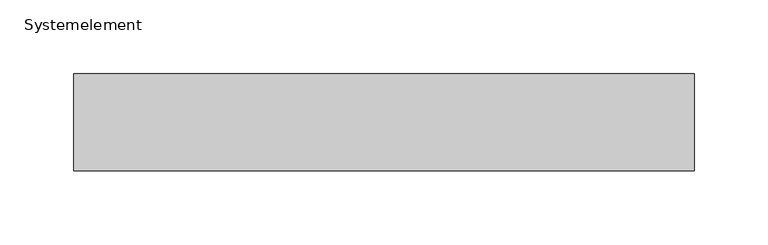
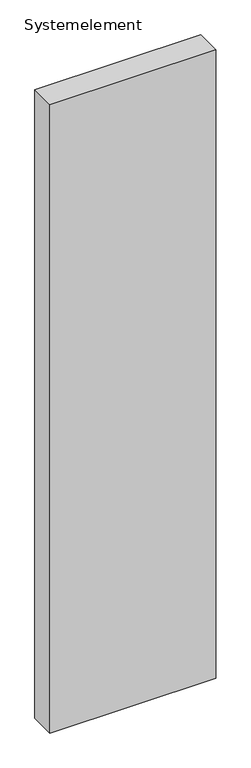
"""IFC4 building model written with IfcOpenShell, lengths in millimetres: plate geometry, Systemelement."""

from ifc_helpers import new_model, si_unit, origin, origin_with_axes, place, context, project, spatial, polyline, outline, extrude, source, transform, mapped, element, save


def systemelement_ba43dd17(model_context):
    return source(origin(), model_context, "Body", "SweptSolid", [
        extrude(outline(polyline([(211.0, 0.0), (-211.0, 0.0), (-211.0, 66.0), (211.0, 66.0), (211.0, 0.0)])), origin_with_axes(), (0.0, 0.0, 1.0), 1690.0),
    ])


if __name__ == "__main__":
    model = new_model("IFC4")
    model_context = context("Model", 3, world=origin())
    ifc_project = project(units=[si_unit("LENGTHUNIT", "METRE", prefix="MILLI")], contexts=[model_context])
    site = spatial("IfcSite", under=ifc_project)
    building = spatial("IfcBuilding", under=site)
    placement = place(None, origin())
    systemelement_shape = systemelement_ba43dd17(model_context)
    element("IfcPlate", 1, ObjectType="Systemelement", at=placement, inside=building, context=model_context, shape_type="MappedRepresentation", body=[
        mapped(systemelement_shape, transform((0.0, 0.0, 0.0), x_axis=(1.0, 0.0, 0.0), y_axis=(0.0, 1.0, 0.0), z_axis=(0.0, 0.0, 1.0))),
    ])
    save(model, "model.ifc")
